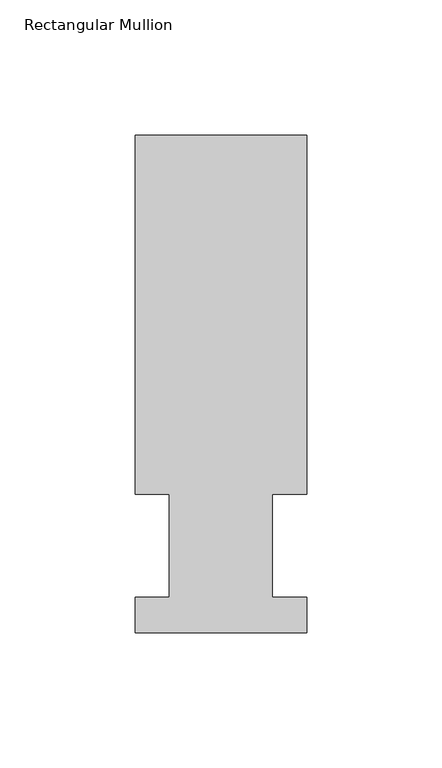
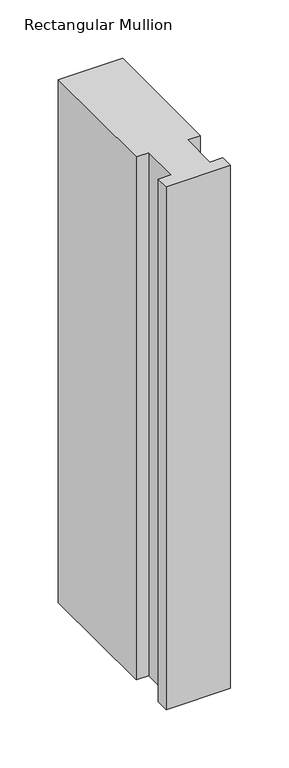
"""IFC4 building model written with IfcOpenShell, lengths in millimetres: member geometry, Rectangular Mullion."""

from ifc_helpers import new_model, si_unit, frame, origin, place, context, project, spatial, polyline, outline, extrude, source, transform, mapped, element, save


def rectangular_mullion_a5639139(model_context):
    return source(origin(), model_context, "Body", "SweptSolid", [
        extrude(outline(polyline([(-63.5000022, 222.5381299), (-1.8e-06, 222.5381317), (-1e-07, 89.5945312), (-12.6872985, 89.5945312), (-12.6872974, 51.4945313), (3e-06, 51.4945317), (3e-06, 38.3119317), (-63.4999966, 38.3119299), (-63.499997, 51.4945299), (-50.7999974, 51.4945302), (-50.7999985, 89.5945314), (-63.5000022, 89.5945314), (-63.5000022, 222.5381299)])), frame((0.0, 0.0, -546.0904902), z_axis=(0.0, 0.0, 1.0), x_axis=(1.0, 0.0, 0.0)), (0.0, 0.0, 1.0), 546.0904902),
    ])


if __name__ == "__main__":
    model = new_model("IFC4")
    model_context = context("Model", 3, world=origin())
    ifc_project = project(units=[si_unit("LENGTHUNIT", "METRE", prefix="MILLI")], contexts=[model_context])
    site = spatial("IfcSite", under=ifc_project)
    building = spatial("IfcBuilding", under=site)
    placement = place(None, origin())
    rectangular_mullion_shape = rectangular_mullion_a5639139(model_context)
    element("IfcMember", 1, ObjectType="Rectangular Mullion", at=placement, inside=building, context=model_context, shape_type="MappedRepresentation", body=[
        mapped(rectangular_mullion_shape, transform((0.0, 0.0, 0.0), x_axis=(1.0, 0.0, 0.0), y_axis=(0.0, 1.0, 0.0), z_axis=(0.0, 0.0, 1.0))),
    ])
    save(model, "model.ifc")
